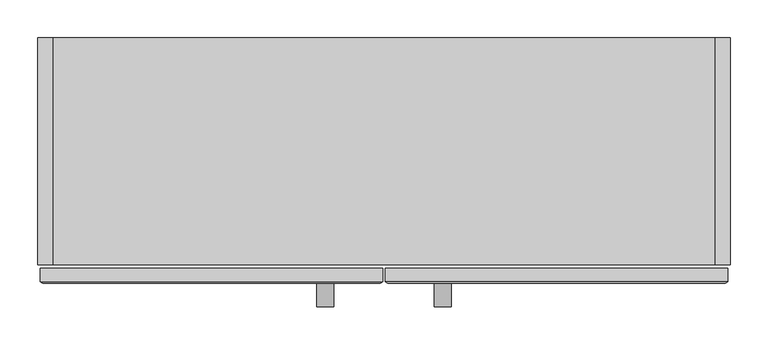
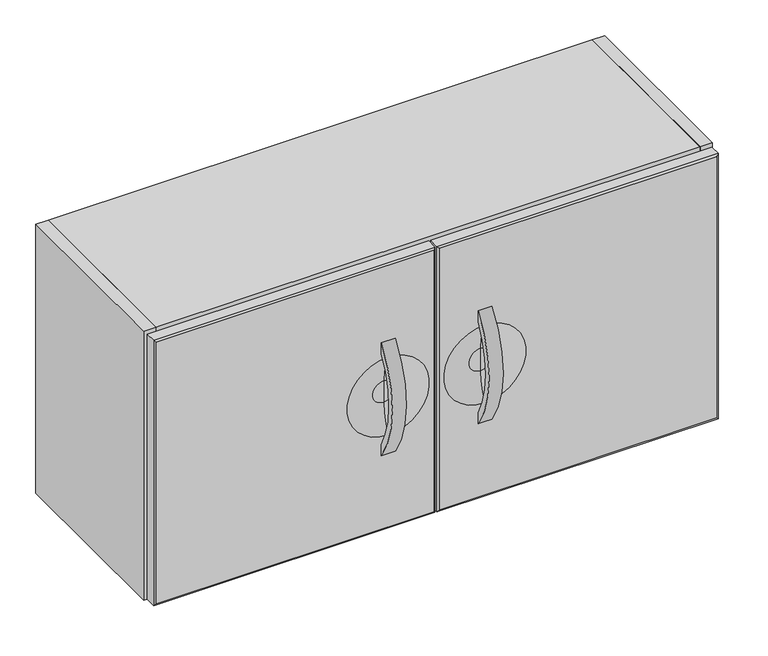
"""IFC4 building model written with IfcOpenShell, lengths in millimetres: furniture geometry."""

from ifc_helpers import new_model, si_unit, point, frame, frame_2d, origin, place, context, project, spatial, polyline, circle_curve, ellipse_curve, trimmed, segment, composite_curve, outline, extrude, source, transform, mapped, element, save
from ifc_brep_helpers import plane_surface, revolved_surface, advanced_brep


def furniture_85421801(model_context):
    return source(origin(), model_context, "Body", "SolidModel", [
        extrude(outline(composite_curve([segment(polyline([(-162.2904196, 852.1610798), (-162.2904196, 833.2507696)]), True, "CONTINUOUS"), segment(trimmed(circle_curve(frame_2d((-32.4271698, 756.2760713)), 150.9621404), [point((-162.2904196, 833.2507696))], [point((-161.9885, 678.7942698))], True, "CARTESIAN"), True, "CONTINUOUS"), segment(polyline([(-161.9885, 678.7942698), (-161.9885, 659.9731392)]), True, "CONTINUOUS"), segment(trimmed(circle_curve(frame_2d((-29.1183363, 756.2760804)), 164.0997772), [point((-161.9885, 659.9731392))], [point((-162.2904196, 852.1610798))], False, "CARTESIAN"), True, "CONTINUOUS")], self_intersect=False)), frame((-88.9128393, 0.0, 0.0), z_axis=(1.0, 0.0, 0.0), x_axis=(0.0, 1.0, 0.0)), (0.0, 0.0, 1.0), 22.225),
        extrude(outline(composite_curve([segment(polyline([(-162.2904196, 852.1610798), (-162.2904196, 833.2507696)]), True, "CONTINUOUS"), segment(trimmed(circle_curve(frame_2d((-32.4271698, 756.2760713)), 150.9621404), [point((-162.2904196, 833.2507696))], [point((-161.9885, 678.7942698))], True, "CARTESIAN"), True, "CONTINUOUS"), segment(polyline([(-161.9885, 678.7942698), (-161.9885, 659.9731392)]), True, "CONTINUOUS"), segment(trimmed(circle_curve(frame_2d((-29.1183363, 756.2760804)), 164.0997772), [point((-161.9885, 659.9731392))], [point((-162.2904196, 852.1610798))], False, "CARTESIAN"), True, "CONTINUOUS")], self_intersect=False)), frame((66.6877, 0.0, 0.0), z_axis=(1.0, 0.0, 0.0), x_axis=(0.0, 1.0, 0.0)), (0.0, 0.0, 1.0), 22.225),
        advanced_brep(
        [(-1.6003393, -142.4224067, 982.7261541), (-1.6003393, -142.4224067, 531.8759966), (-454.0251393, -142.4224067, 531.8759966), (-454.0251393, -142.4224067, 982.7261541), (-454.0251393, -160.1558628, 982.7261541), (-1.6003393, -160.1558628, 982.7261541), (-454.0251393, -160.1558628, 531.8759966), (-1.6003393, -160.1558628, 531.8759966), (-4.7753272, -161.9885, 979.5511571), (-450.8501423, -161.9885, 979.5511571), (-450.8501423, -161.9885, 535.0509966), (-4.7753272, -161.9885, 535.0509966), (-77.8003393, -161.9885, 691.3309379), (-77.8003393, -161.9885, 823.2710554), (-77.8003393, -149.2885, 739.1197048), (-77.8003393, -149.2885, 775.4822884), (-77.8003393, -149.2885, 757.3009966)],
        [
            (0, 1),
            (1, 2),
            (2, 3),
            (3, 0),
            (3, 4),
            (4, 5),
            (5, 0),
            (2, 6),
            (6, 4),
            (1, 7),
            (7, 6),
            (5, 7),
            (8, 9),
            (9, 10),
            (10, 11),
            (11, 8),
            (12, 13, circle_curve(frame((-77.8003393, -161.9885, 757.3009966), z_axis=(0.0, 1.0, 0.0), x_axis=(0.0, 0.0, 1.0)), 65.9700587)),
            (13, 12, circle_curve(frame((-77.8003393, -161.9885, 757.3009966), z_axis=(0.0, 1.0, 0.0), x_axis=(0.0, 0.0, 1.0)), 65.9700587)),
            (8, 5),
            (4, 9),
            (6, 10),
            (7, 11),
            (12, 14, circle_curve(frame((-77.8003393, -245.550557, 739.1197048), z_axis=(1.0, 0.0, 0.0), x_axis=(0.0, 0.0, -1.0)), 96.262057)),
            (14, 15, circle_curve(frame((-77.8003393, -149.2885, 757.3009966), z_axis=(0.0, 1.0, 0.0), x_axis=(0.0, 0.0, 1.0)), 18.1812918)),
            (15, 13, circle_curve(frame((-77.8003393, -245.550557, 775.4822884), z_axis=(1.0, 0.0, 0.0), x_axis=(0.0, 0.0, 1.0)), 96.262057)),
            (15, 14, circle_curve(frame((-77.8003393, -149.2885, 757.3009966), z_axis=(0.0, 1.0, 0.0), x_axis=(0.0, 0.0, 1.0)), 18.1812918)),
            (14, 16),
            (16, 15),
        ],
        [
            plane_surface(frame((-1.6003393, -142.4224067, 982.7261541), z_axis=(0.0, 1.0, 0.0), x_axis=(0.0, 0.0, -1.0))),
            plane_surface(frame((-454.0251393, -142.4224067, 982.7261541), z_axis=(0.0, 0.0, 1.0), x_axis=(0.0, -1.0, 0.0))),
            plane_surface(frame((-454.0251393, -142.4224067, 531.8759966), z_axis=(-1.0, 0.0, 0.0), x_axis=(0.0, -1.0, 0.0))),
            plane_surface(frame((-1.6003393, -142.4224067, 531.8759966), z_axis=(0.0, 0.0, -1.0), x_axis=(0.0, -1.0, 0.0))),
            plane_surface(frame((-1.6003393, -142.4224067, 982.7261541), z_axis=(1.0, 0.0, 0.0), x_axis=(0.0, -1.0, 0.0))),
            plane_surface(frame((-227.8127347, -161.9885, 757.3010768), z_axis=(0.0, -1.0, 0.0), x_axis=(0.0, 0.0, -1.0))),
            plane_surface(frame((-227.8127393, -160.1558628, 982.7261541), z_axis=(0.0, -0.8660783377624317, 0.49990830445058954), x_axis=(-1.0, 0.0, 0.0))),
            plane_surface(frame((-454.0251393, -160.1558628, 757.3010753), z_axis=(-0.4999083044258178, -0.8660783377767302, 0.0), x_axis=(0.0, 0.0, -1.0))),
            plane_surface(frame((-227.8127393, -160.1558628, 531.8759966), z_axis=(0.0, -0.8660785441759887, -0.4999079468442166), x_axis=(1.0, 0.0, 0.0))),
            plane_surface(frame((-1.6003393, -160.1558628, 757.3010753), z_axis=(0.49990937729438323, -0.8660777185063371, 0.0), x_axis=(0.0, 0.0, 1.0))),
            revolved_surface(trimmed(ellipse_curve(frame((-77.8003393, -245.550557, 775.4822884), z_axis=(-1.0, 0.0, 0.0), x_axis=(0.0, 0.0, 1.0)), 96.262057, 96.262057), [point((-77.8003393, -161.9885, 823.2710554))], [point((-77.8003393, -149.2885, 775.4822884))], True, "CARTESIAN"), (-77.8003393, -161.9885, 757.3009966), (0.0, -1.0, 0.0)),
            plane_surface(frame((-77.8003393, -149.2885, 757.3009966), z_axis=(0.0, -1.0, 0.0), x_axis=(0.0, 0.0, 1.0))),
        ],
        [
            (0, [[1, 2, 3, 4]]),
            (1, [[-4, 5, 6, 7]]),
            (2, [[-3, 8, 9, -5]]),
            (3, [[-2, 10, 11, -8]]),
            (4, [[-1, -7, 12, -10]]),
            (5, [[13, 14, 15, 16], [17, 18]]),
            (6, [[-13, 19, -6, 20]]),
            (7, [[-14, -20, -9, 21]]),
            (8, [[-15, -21, -11, 22]]),
            (9, [[-16, -22, -12, -19]]),
            (10, [[23, 24, 25, -17]]),
            (10, [[-23, -18, -25, 26]]),
            (11, [[-24, 27, 28]]),
            (11, [[-26, -28, -27]]),
        ],
    ),
        advanced_brep(
        [(450.85, -161.9885, 979.5511571), (4.7752, -161.9885, 979.5511571), (4.7752, -161.9885, 535.0509966), (450.85, -161.9885, 535.0509966), (77.8002, -161.9885, 691.3309379), (77.8002, -161.9885, 823.2710554), (454.025, -160.1558628, 982.7261541), (1.6002, -160.1558628, 982.7261541), (1.6002, -160.1558628, 531.8759966), (454.025, -160.1558628, 531.8759966), (77.8002, -149.2801095, 738.2527407), (77.8002, -149.2801095, 776.3492525), (77.8002, -149.2801095, 757.3009966), (454.025, -142.4224067, 982.7261541), (454.025, -142.4224067, 531.8759966), (1.6002, -142.4224067, 531.8759966), (1.6002, -142.4224067, 982.7261541)],
        [
            (0, 1),
            (1, 2),
            (2, 3),
            (3, 0),
            (4, 5, circle_curve(frame((77.8002, -161.9885, 757.3009966), z_axis=(0.0, 1.0, 0.0), x_axis=(0.0, 0.0, 1.0)), 65.9700587)),
            (5, 4, circle_curve(frame((77.8002, -161.9885, 757.3009966), z_axis=(0.0, 1.0, 0.0), x_axis=(0.0, 0.0, 1.0)), 65.9700587)),
            (0, 6),
            (6, 7),
            (7, 1),
            (7, 8),
            (8, 2),
            (8, 9),
            (9, 3),
            (9, 6),
            (4, 10, circle_curve(frame((77.8002, -242.2564299, 738.2527407), z_axis=(1.0, 0.0, 0.0), x_axis=(0.0, 0.0, -1.0)), 92.9763204)),
            (10, 11, circle_curve(frame((77.8002, -149.2801095, 757.3009966), z_axis=(0.0, 1.0, 0.0), x_axis=(0.0, 0.0, 1.0)), 19.0482559)),
            (11, 5, circle_curve(frame((77.8002, -242.2564299, 776.3492525), z_axis=(1.0, 0.0, 0.0), x_axis=(0.0, 0.0, 1.0)), 92.9763204)),
            (11, 10, circle_curve(frame((77.8002, -149.2801095, 757.3009966), z_axis=(0.0, 1.0, 0.0), x_axis=(0.0, 0.0, 1.0)), 19.0482559)),
            (10, 12),
            (12, 11),
            (13, 14),
            (14, 15),
            (15, 16),
            (16, 13),
            (16, 7),
            (6, 13),
            (15, 8),
            (14, 9),
        ],
        [
            plane_surface(frame((227.8126, -161.9885, 757.3010768), z_axis=(0.0, -1.0, 0.0), x_axis=(0.0, 0.0, -1.0))),
            plane_surface(frame((227.8126, -160.1558628, 982.7261541), z_axis=(0.0, -0.8660783377624317, 0.49990830445058954), x_axis=(-1.0, 0.0, 0.0))),
            plane_surface(frame((1.6002, -160.1558628, 757.3010753), z_axis=(-0.49990794682339124, -0.8660785441880092, 0.0), x_axis=(0.0, 0.0, -1.0))),
            plane_surface(frame((227.8126, -160.1558628, 531.8759966), z_axis=(0.0, -0.8660785441759887, -0.4999079468442166), x_axis=(1.0, 0.0, 0.0))),
            plane_surface(frame((454.025, -160.1558628, 757.3010753), z_axis=(0.499907946869404, -0.8660785441614504, 0.0), x_axis=(0.0, 0.0, 1.0))),
            revolved_surface(trimmed(ellipse_curve(frame((77.8002, -242.2564299, 776.3492525), z_axis=(-1.0, 0.0, 0.0), x_axis=(0.0, 0.0, 1.0)), 92.9763204, 92.9763204), [point((77.8002, -161.9885, 823.2710554))], [point((77.8002, -149.2801095, 776.3492525))], True, "CARTESIAN"), (77.8002, -149.2801095, 757.3009966), (0.0, -1.0, 0.0)),
            plane_surface(frame((77.8002, -149.2801095, 757.3009966), z_axis=(0.0, -1.0, 0.0), x_axis=(0.0, 0.0, 1.0))),
            plane_surface(frame((454.025, -142.4224067, 982.7261541), z_axis=(0.0, 1.0, 0.0), x_axis=(0.0, 0.0, -1.0))),
            plane_surface(frame((1.6002, -142.4224067, 982.7261541), z_axis=(0.0, 0.0, 1.0), x_axis=(0.0, -1.0, 0.0))),
            plane_surface(frame((1.6002, -142.4224067, 531.8759966), z_axis=(-1.0, 0.0, 0.0), x_axis=(0.0, -1.0, 0.0))),
            plane_surface(frame((454.025, -142.4224067, 531.8759966), z_axis=(0.0, 0.0, -1.0), x_axis=(0.0, -1.0, 0.0))),
            plane_surface(frame((454.025, -142.4224067, 982.7261541), z_axis=(1.0, 0.0, 0.0), x_axis=(0.0, -1.0, 0.0))),
        ],
        [
            (0, [[1, 2, 3, 4], [5, 6]]),
            (1, [[-1, 7, 8, 9]]),
            (2, [[-2, -9, 10, 11]]),
            (3, [[-3, -11, 12, 13]]),
            (4, [[-4, -13, 14, -7]]),
            (5, [[15, 16, 17, -5]]),
            (5, [[-15, -6, -17, 18]]),
            (6, [[-16, 19, 20]]),
            (6, [[-18, -20, -19]]),
            (7, [[21, 22, 23, 24]]),
            (8, [[-24, 25, -8, 26]]),
            (9, [[-23, 27, -10, -25]]),
            (10, [[-22, 28, -12, -27]]),
            (11, [[-21, -26, -14, -28]]),
        ],
    ),
        extrude(outline(polyline([(-437.642818, -137.7319227), (-437.642818, 105.8671981), (437.642, 105.8671981), (437.642, -137.7319227), (-437.642818, -137.7319227)])), frame((0.0, 0.0, 630.3010814), z_axis=(0.0, 0.0, 1.0), x_axis=(1.0, 0.0, 0.0)), (0.0, 0.0, 1.0), 19.5572001),
        extrude(outline(polyline([(-457.2, 161.9885), (-437.642818, 161.9885), (-437.642818, -137.7319227), (-457.2, -137.7319227), (-457.2, 161.9885)])), frame((0.0, 0.0, 528.7009966), z_axis=(0.0, 0.0, 1.0), x_axis=(1.0, 0.0, 0.0)), (0.0, 0.0, 1.0), 457.2),
        extrude(outline(polyline([(437.642, 161.9885), (457.2, 161.9885), (457.2, -137.7319227), (437.642, -137.7319227), (437.642, 161.9885)])), frame((0.0, 0.0, 528.7009966), z_axis=(0.0, 0.0, 1.0), x_axis=(1.0, 0.0, 0.0)), (0.0, 0.0, 1.0), 457.2),
        extrude(outline(polyline([(-437.642818, 142.4313021), (-437.642818, 161.9885), (437.642, 161.9885), (437.642, 142.4313021), (-437.642818, 142.4313021)])), frame((0.0, 0.0, 548.2582694), z_axis=(0.0, 0.0, 1.0), x_axis=(1.0, 0.0, 0.0)), (0.0, 0.0, 1.0), 418.0855452),
        extrude(outline(polyline([(-437.642818, -137.7319227), (-437.642818, 161.9885), (437.642, 161.9885), (437.642, -137.7319227), (-437.642818, -137.7319227)])), frame((0.0, 0.0, 966.3438146), z_axis=(0.0, 0.0, 1.0), x_axis=(1.0, 0.0, 0.0)), (0.0, 0.0, 1.0), 19.557182),
        extrude(outline(polyline([(-437.642818, -137.7319227), (-437.642818, 161.9885), (437.642, 161.9885), (437.642, -137.7319227), (-437.642818, -137.7319227)])), frame((0.0, 0.0, 528.7009966), z_axis=(0.0, 0.0, 1.0), x_axis=(1.0, 0.0, 0.0)), (0.0, 0.0, 1.0), 19.5572728),
    ])


if __name__ == "__main__":
    model = new_model("IFC4")
    model_context = context("Model", 3, world=origin())
    ifc_project = project(units=[si_unit("LENGTHUNIT", "METRE", prefix="MILLI")], contexts=[model_context])
    site = spatial("IfcSite", under=ifc_project)
    building = spatial("IfcBuilding", under=site)
    placement = place(None, origin())
    furniture_shape = furniture_85421801(model_context)
    element("IfcFurniture", 1, at=placement, inside=building, context=model_context, shape_type="MappedRepresentation", body=[
        mapped(furniture_shape, transform((0.0, 0.0, 0.0), x_axis=(1.0, 0.0, 0.0), y_axis=(0.0, 1.0, 0.0), z_axis=(0.0, 0.0, 1.0))),
    ])
    save(model, "model.ifc")
